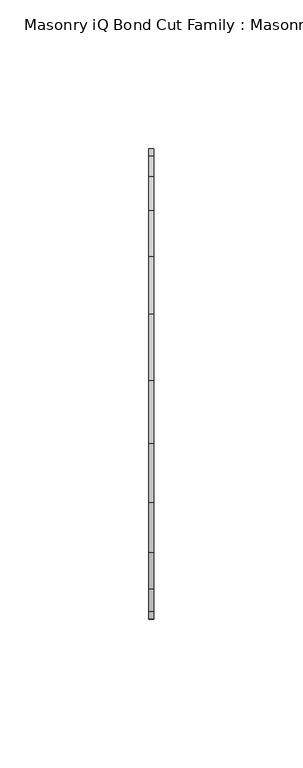
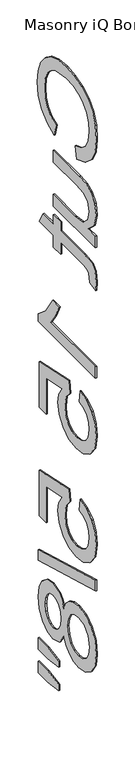
"""IFC4 building model written with IfcOpenShell, lengths in millimetres: proxy geometry, Masonry iQ Bond Cut Family : Masonry iQ Bond Cut."""

from ifc_helpers import new_model, si_unit, frame, origin, place, context, project, spatial, polyline, outline, extrude, source, transform, mapped, element, save


def masonry_iq_bond_cut_family_masonry_iq_bond_cut_271ad8ae(model_context):
    return source(origin(), model_context, "Body", "SweptSolid", [
        extrude(outline(polyline([(892.6206364, 400.28986), (887.6868974, 381.1529329), (865.3869577, 389.9832045), (849.0953403, 403.840657), (839.1297482, 422.0431639), (835.8078841, 443.9085981), (838.3214746, 466.1057516), (845.8622462, 483.7335899), (858.1685611, 497.245307), (874.9787817, 507.0940966), (894.7417704, 513.1070911), (915.9063895, 515.1114225), (938.2296897, 512.8454534), (957.5067798, 506.0475459), (973.1256146, 495.0727799), (984.4741487, 480.2762349), (991.3841866, 462.7278223), (993.6875326, 443.4974532), (990.7067319, 422.5150461), (981.7643299, 405.1675338), (967.4116346, 391.9968801), (948.1999539, 383.5450488), (943.639983, 402.6819759), (957.5955497, 409.3163598), (967.1686854, 418.3802364), (972.7051254, 429.9857361), (974.5506055, 444.2449894), (972.5042251, 460.6814419), (966.3650839, 474.1838148), (956.777932, 484.429733), (944.3875192, 491.0968216), (915.9437663, 495.9744954), (898.2645348, 494.5308161), (882.9774192, 490.1997782), (870.6664322, 482.8178581), (861.9155864, 472.2215322), (856.687505, 459.5180887), (854.9448112, 445.8148155), (857.3182387, 429.840901), (864.4385211, 416.5300843), (876.2309049, 406.4803943), (892.6206364, 400.28986)])), frame((34.925, 0.0, 0.0), z_axis=(1.0, 0.0, 0.0), x_axis=(0.0, 1.0, 0.0)), (0.0, 0.0, 1.0), 1.7068799),
        extrude(outline(polyline([(838.2, 285.4682975), (857.5238111, 285.4682975), (841.2368659, 300.4563986), (835.8078841, 320.0044706), (839.6203188, 338.001405), (849.1887823, 350.4105061), (863.27984, 356.1104698), (881.0712019, 357.2317741), (950.6294466, 357.2317741), (950.6294466, 338.094847), (890.0790133, 338.094847), (870.5683181, 336.9361659), (859.1123256, 329.3673617), (854.9448112, 315.1081084), (859.2057676, 299.1295218), (870.8112673, 288.5705728), (892.1347379, 285.4682975), (950.6294466, 285.4682975), (950.6294466, 266.3313704), (838.2, 266.3313704), (838.2, 285.4682975)])), frame((34.925, 0.0, 0.0), z_axis=(1.0, 0.0, 0.0), x_axis=(0.0, 1.0, 0.0)), (0.0, 0.0, 1.0), 1.7068799),
        extrude(outline(polyline([(854.1598982, 199.3521256), (837.6393478, 196.9600098), (835.8078841, 211.2753283), (838.984913, 227.3099801), (847.3199418, 235.3086176), (869.0358688, 237.6259798), (931.4925195, 237.6259798), (931.4925195, 251.9786751), (950.6294466, 251.9786751), (950.6294466, 237.6259798), (977.9518952, 237.6259798), (989.2023153, 218.4890527), (950.6294466, 218.4890527), (950.6294466, 199.3521256), (931.4925195, 199.3521256), (931.4925195, 218.4890527), (869.596521, 218.4890527), (859.729043, 217.4798788), (856.2343112, 214.2094079), (854.9448112, 207.6871544), (854.1598982, 199.3521256)])), frame((34.925, 0.0, 0.0), z_axis=(1.0, 0.0, 0.0), x_axis=(0.0, 1.0, 0.0)), (0.0, 0.0, 1.0), 1.7068799),
        extrude(outline(polyline([(838.2, 53.4330566), (838.2, 72.5699837), (957.5067798, 72.5699837), (944.5930917, 90.6977369), (934.9311861, 110.8438379), (953.0215625, 110.8438379), (970.9250548, 82.7925414), (991.2954167, 65.7674042), (991.2954167, 53.4330566), (838.2, 53.4330566)])), frame((34.925, 0.0, 0.0), z_axis=(1.0, 0.0, 0.0), x_axis=(0.0, 1.0, 0.0)), (0.0, 0.0, 1.0), 1.7068799),
        extrude(outline(polyline([(878.8659701, 7.9828548), (881.2580859, -11.1540723), (869.7693887, -14.6674925), (861.5418183, -20.7972894), (856.594063, -29.5154305), (854.9448112, -40.7938832), (857.238813, -54.5111727), (864.1208182, -64.7897956), (874.7965698, -71.2092629), (888.4718104, -73.3490853), (901.3481217, -71.3447538), (911.1969113, -65.3317594), (917.4481829, -55.263381), (919.5319401, -41.0928976), (916.205404, -24.2920212), (907.5713607, -13.5461882), (909.9634766, 5.5907389), (988.9033008, -11.1540723), (988.9033008, -85.3096647), (969.7663737, -85.3096647), (969.7663737, -26.6280719), (927.6053312, -18.4051735), (935.9029832, -32.0757421), (938.6688672, -46.4004048), (935.2395448, -64.2852087), (924.9515777, -79.142491), (909.2720056, -89.150132), (889.6678683, -92.4860124), (870.5309413, -89.4865233), (854.1598982, -80.4880561), (840.3958876, -63.2573464), (835.8078841, -40.7191295), (838.7559801, -21.9232659), (847.6002679, -6.9491811), (861.3128853, 3.3154256), (878.8659701, 7.9828548)])), frame((34.925, 0.0, 0.0), z_axis=(1.0, 0.0, 0.0), x_axis=(0.0, 1.0, 0.0)), (0.0, 0.0, 1.0), 1.7068799),
        extrude(outline(polyline([(878.8659701, -169.0337207), (881.2580859, -188.1706478), (869.7693887, -191.684068), (861.5418183, -197.813865), (856.594063, -206.5320061), (854.9448112, -217.8104587), (857.238813, -231.5277482), (864.1208182, -241.8063712), (874.7965698, -248.2258384), (888.4718104, -250.3656608), (901.3481217, -248.3613293), (911.1969113, -242.3483349), (917.4481829, -232.2799565), (919.5319401, -218.1094732), (916.205404, -201.3085968), (907.5713607, -190.5627637), (909.9634766, -171.4258366), (988.9033008, -188.1706478), (988.9033008, -262.3262402), (969.7663737, -262.3262402), (969.7663737, -203.6446474), (927.6053312, -195.4217491), (935.9029832, -209.0923176), (938.6688672, -223.4169803), (935.2395448, -241.3017842), (924.9515777, -256.1590665), (909.2720056, -266.1667075), (889.6678683, -269.5025879), (870.5309413, -266.5030988), (854.1598982, -257.5046317), (840.3958876, -240.2739219), (835.8078841, -217.7357051), (838.7559801, -198.9398414), (847.6002679, -183.9657566), (861.3128853, -173.7011499), (878.8659701, -169.0337207)])), frame((34.925, 0.0, 0.0), z_axis=(1.0, 0.0, 0.0), x_axis=(0.0, 1.0, 0.0)), (0.0, 0.0, 1.0), 1.7068799),
        extrude(outline(polyline([(838.2, -276.6789356), (991.2954167, -319.7370215), (991.2954167, -337.0798617), (838.2, -293.9843989), (838.2, -276.6789356)])), frame((34.925, 0.0, 0.0), z_axis=(1.0, 0.0, 0.0), x_axis=(0.0, 1.0, 0.0)), (0.0, 0.0, 1.0), 1.7068799),
        extrude(outline(polyline([(922.522085, -373.933397), (927.5679544, -363.6874788), (934.4079108, -356.4971148), (952.9094321, -350.834528), (967.8695006, -353.9181149), (980.2318807, -363.1688755), (988.5295327, -377.5496035), (991.2954167, -396.0230922), (988.4641233, -414.6087113), (979.970243, -429.1763233), (967.4116346, -438.5952796), (952.3861567, -441.7349316), (934.3518456, -436.1470984), (922.522085, -419.1967148), (916.4530253, -430.9750823), (907.5152955, -439.5483882), (896.1387287, -444.7764696), (882.7531584, -446.5191634), (864.4572095, -443.0618084), (849.3382896, -432.6897435), (839.1904855, -416.6737801), (835.8078841, -396.2847298), (839.2045018, -375.8956796), (849.3943548, -359.8797162), (864.6581099, -349.5076512), (883.2764337, -346.0502962), (897.1806073, -347.8630716), (908.6179114, -353.3013975), (917.1958894, -362.084948), (922.522085, -373.933397)]), holes=[polyline([(952.3487799, -369.9714551), (943.9950627, -371.6674279), (937.323302, -376.7553462), (932.9502151, -385.0857029), (931.4925195, -396.5089907), (932.9408709, -407.6659687), (937.2859252, -415.8701786), (943.733425, -420.9160481), (951.4891133, -422.5980046), (959.5391439, -420.8599829), (966.1968883, -415.6459178), (970.6680893, -407.3295774), (972.1584896, -396.2847298), (970.700794, -385.1698007), (966.3277071, -376.8674767), (959.9175841, -371.6954605), (952.3487799, -369.9714551)]), polyline([(883.9492163, -365.1872233), (869.5404558, -368.3829406), (858.7572459, -379.6894259), (854.9448112, -396.4342371), (856.9491427, -409.4600556), (862.9621371, -419.2340916), (872.0680626, -425.3452002), (883.3511873, -427.3822363), (894.8258682, -425.2797907), (904.1326941, -418.9724539), (910.2998679, -408.9741571), (912.3555924, -395.7988313), (910.3279005, -382.9552247), (904.2448245, -373.2793028), (895.1155385, -367.2102432), (883.9492163, -365.1872233)])]), frame((34.925, 0.0, 0.0), z_axis=(1.0, 0.0, 0.0), x_axis=(0.0, 1.0, 0.0)), (0.0, 0.0, 1.0), 1.7068799),
        extrude(outline(polyline([(936.2767513, -467.936076), (965.8418086, -463.2639746), (991.2954167, -463.2639746), (991.2954167, -482.4009017), (965.8418086, -482.4009017), (936.2767513, -478.2146989), (936.2767513, -467.936076)])), frame((34.925, 0.0, 0.0), z_axis=(1.0, 0.0, 0.0), x_axis=(0.0, 1.0, 0.0)), (0.0, 0.0, 1.0), 1.7068799),
        extrude(outline(polyline([(936.2767513, -506.0977997), (965.8418086, -501.5378288), (991.2954167, -501.5378288), (991.2954167, -520.6747559), (965.8418086, -520.6747559), (936.2767513, -516.1895386), (936.2767513, -506.0977997)])), frame((34.925, 0.0, 0.0), z_axis=(1.0, 0.0, 0.0), x_axis=(0.0, 1.0, 0.0)), (0.0, 0.0, 1.0), 1.7068799),
    ])


if __name__ == "__main__":
    model = new_model("IFC4")
    model_context = context("Model", 3, world=origin())
    ifc_project = project(units=[si_unit("LENGTHUNIT", "METRE", prefix="MILLI")], contexts=[model_context])
    site = spatial("IfcSite", under=ifc_project)
    building = spatial("IfcBuilding", under=site)
    placement = place(None, origin())
    masonry_iq_bond_cut_family_masonry_iq_bond_cut_shape = masonry_iq_bond_cut_family_masonry_iq_bond_cut_271ad8ae(model_context)
    element("IfcBuildingElementProxy", 1, Name="Masonry iQ Bond Cut Family : Masonry iQ Bond Cut", ObjectType="Masonry iQ Bond Cut Family : Masonry iQ Bond Cut", at=placement, inside=building, context=model_context, shape_type="MappedRepresentation", body=[
        mapped(masonry_iq_bond_cut_family_masonry_iq_bond_cut_shape, transform((0.0, 0.0, 0.0), x_axis=(1.0, 0.0, 0.0), y_axis=(0.0, 1.0, 0.0), z_axis=(0.0, 0.0, 1.0))),
    ])
    save(model, "model.ifc")
